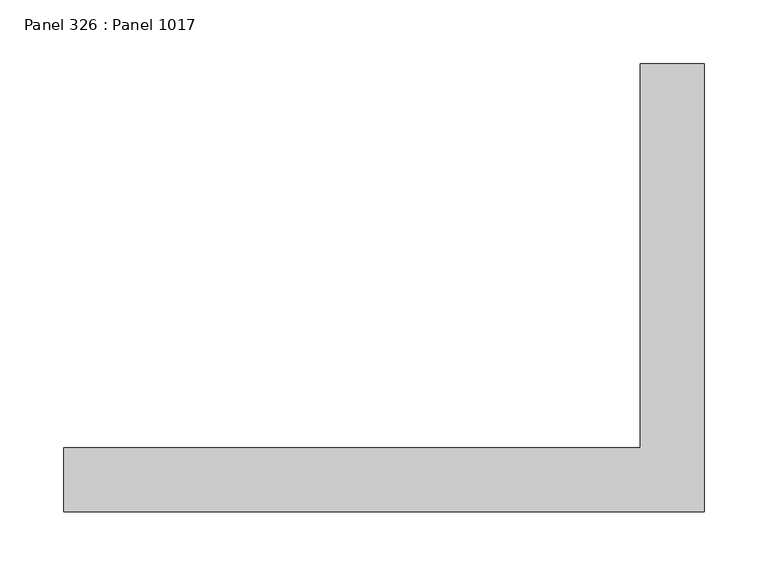
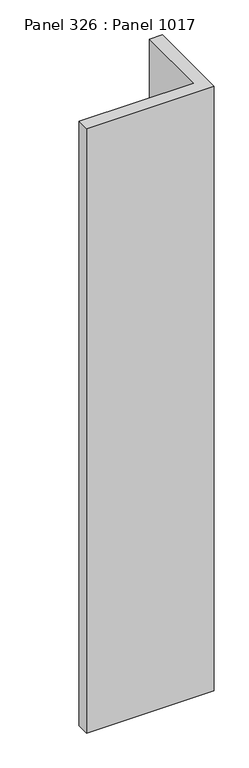
"""IFC4 building model written with IfcOpenShell, lengths in millimetres: proxy geometry, Panel 326 : Panel 1017."""

from ifc_helpers import new_model, si_unit, frame, origin, place, context, project, spatial, polyline, outline, extrude, source, transform, mapped, element, save


def panel_326_panel_1017_a5e78018(model_context):
    return source(origin(), model_context, "Body", "SweptSolid", [
        extrude(outline(polyline([(35367.4967028, 328855.7855246), (34867.475871, 328855.7855206), (34867.4758724, 328905.7855383), (35317.4966618, 328905.785526), (35317.4966733, 329205.7855253), (35367.4967154, 329205.7855257), (35367.4967028, 328855.7855246)])), frame((0.0, 0.0, 34575.0), z_axis=(0.0, 0.0, 1.0), x_axis=(1.0, 0.0, 0.0)), (0.0, 0.0, 1.0), 2500.0),
    ])


if __name__ == "__main__":
    model = new_model("IFC4")
    model_context = context("Model", 3, world=origin())
    ifc_project = project(units=[si_unit("LENGTHUNIT", "METRE", prefix="MILLI")], contexts=[model_context])
    site = spatial("IfcSite", under=ifc_project)
    building = spatial("IfcBuilding", under=site)
    placement = place(None, origin())
    panel_326_panel_1017_shape = panel_326_panel_1017_a5e78018(model_context)
    element("IfcBuildingElementProxy", 1, Name="Panel 326 : Panel 1017", ObjectType="Panel 326 : Panel 1017", at=placement, inside=building, context=model_context, shape_type="MappedRepresentation", body=[
        mapped(panel_326_panel_1017_shape, transform((0.0, 0.0, 0.0), x_axis=(1.0, 0.0, 0.0), y_axis=(0.0, 1.0, 0.0), z_axis=(0.0, 0.0, 1.0))),
    ])
    save(model, "model.ifc")
